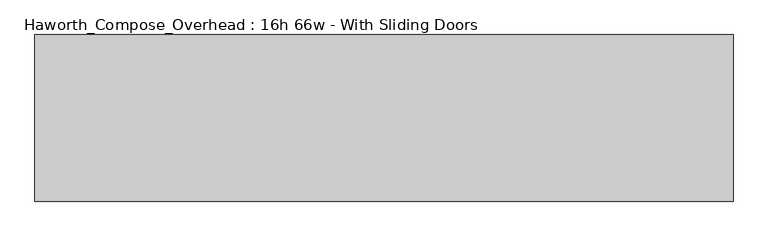
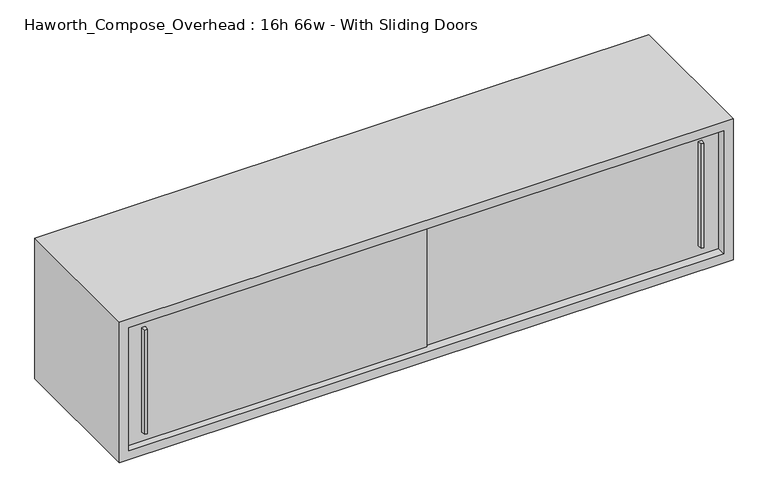
"""IFC4 building model written with IfcOpenShell, lengths in millimetres: furniture geometry, Haworth_Compose_Overhead : 16h 66w - With Sliding Doors."""

from ifc_helpers import new_model, si_unit, frame, origin, place, context, project, spatial, polyline, outline, extrude, source, transform, mapped, element, save


def haworth_compose_overhead_16h_66w_with_sliding_doors_c8fefa45(model_context):
    return source(origin(), model_context, "Body", "SweptSolid", [
        extrude(outline(polyline([(930.2750004, -387.3499879), (923.9249996, -387.3499879), (922.3375011, -374.65), (931.8624989, -374.65), (930.2750004, -387.3499879)])), frame((0.0, 0.0, 1322.3875), z_axis=(0.0, 0.0, 1.0), x_axis=(1.0, 0.0, 0.0)), (0.0, 0.0, 1.0), 301.625),
        extrude(outline(polyline([(-593.7249996, -393.6999879), (-600.0750004, -393.6999879), (-601.6624989, -381.0), (-592.1375011, -381.0), (-593.7249996, -393.6999879)])), frame((0.0, 0.0, 1322.3875), z_axis=(0.0, 0.0, 1.0), x_axis=(1.0, 0.0, 0.0)), (0.0, 0.0, 1.0), 301.625),
        extrude(outline(polyline([(-647.7, -374.65), (177.8, -374.65), (177.8, -381.0), (-647.7, -381.0), (-647.7, -374.65)])), frame((0.0, 0.0, 1295.4), z_axis=(0.0, 0.0, 1.0), x_axis=(1.0, 0.0, 0.0)), (0.0, 0.0, 1.0), 355.6),
        extrude(outline(polyline([(152.4, -368.3), (977.9, -368.3), (977.9, -374.65), (152.4, -374.65), (152.4, -368.3)])), frame((0.0, 0.0, 1295.4), z_axis=(0.0, 0.0, 1.0), x_axis=(1.0, 0.0, 0.0)), (0.0, 0.0, 1.0), 355.6),
        extrude(outline(polyline([(977.9, -6.35), (-647.7, -6.35), (-647.7, 0.0), (977.9, 0.0), (977.9, -6.35)])), frame((0.0, 0.0, 1295.4), z_axis=(0.0, 0.0, 1.0), x_axis=(1.0, 0.0, 0.0)), (0.0, 0.0, 1.0), 355.6),
        extrude(outline(polyline([(1270.0, 1003.3), (1676.4, 1003.3), (1676.4, -673.1), (1270.0, -673.1), (1270.0, 1003.3)]), holes=[polyline([(1651.0, 977.9), (1295.4, 977.9), (1295.4, -647.7), (1651.0, -647.7), (1651.0, 977.9)])]), frame((0.0, -400.05, 0.0), z_axis=(0.0, 1.0, 0.0), x_axis=(0.0, 0.0, 1.0)), (0.0, 0.0, 1.0), 400.05),
    ])


if __name__ == "__main__":
    model = new_model("IFC4")
    model_context = context("Model", 3, world=origin())
    ifc_project = project(units=[si_unit("LENGTHUNIT", "METRE", prefix="MILLI")], contexts=[model_context])
    site = spatial("IfcSite", under=ifc_project)
    building = spatial("IfcBuilding", under=site)
    placement = place(None, origin())
    haworth_compose_overhead_16h_66w_with_sliding_doors_shape = haworth_compose_overhead_16h_66w_with_sliding_doors_c8fefa45(model_context)
    element("IfcFurniture", 1, ObjectType="Haworth_Compose_Overhead : 16h 66w - With Sliding Doors", at=placement, inside=building, context=model_context, shape_type="MappedRepresentation", body=[
        mapped(haworth_compose_overhead_16h_66w_with_sliding_doors_shape, transform((0.0, 0.0, 0.0), x_axis=(1.0, 0.0, 0.0), y_axis=(0.0, 1.0, 0.0), z_axis=(0.0, 0.0, 1.0))),
    ])
    save(model, "model.ifc")
